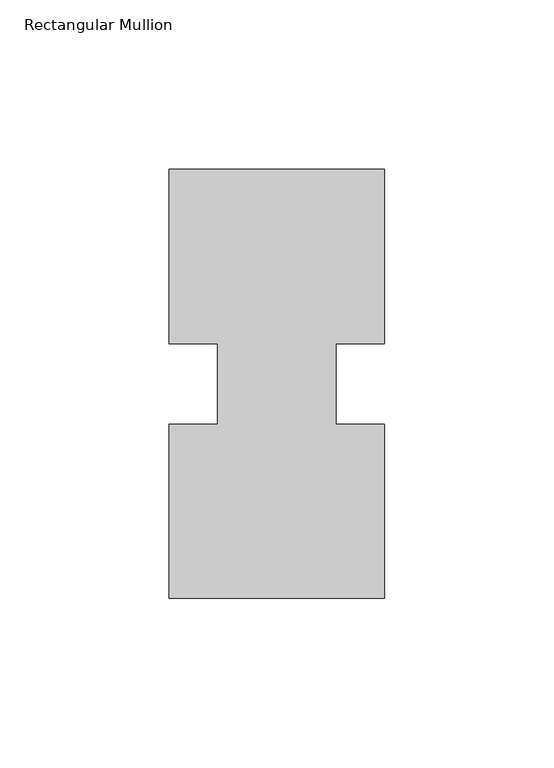
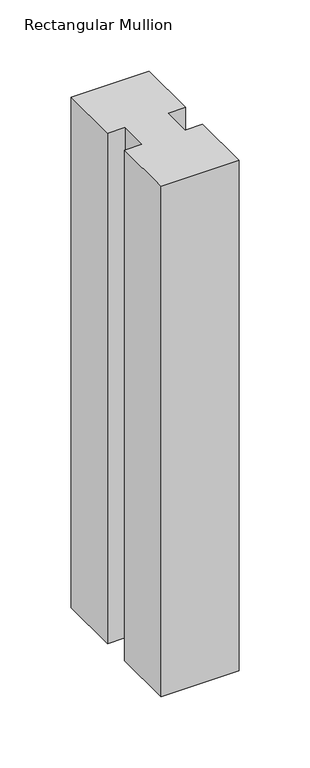
"""IFC4 building model written with IfcOpenShell, lengths in millimetres: member geometry, Rectangular Mullion."""

import ifcopenshell
import ifcopenshell.guid

model = None  # the IFC model being written
_history = None  # IfcOwnerHistory: only IFC2X3 demands one
_inside = {}  # id of a spatial element -> (the spatial element, [elements in it])
_under = {}  # id of a project, library or spatial element -> (it, [spatial elements below it])
_declared = {}  # id of a project -> (the project, [libraries it declares])
_typed = {}  # id of a type object -> (the type object, [elements of that type])
_made_of = {}  # id of a material, layer set ... -> (it, [elements and type objects made of it])


def new_model(schema):
    """Start an empty IFC model of exactly this schema.

    Asked for "IFC4X3", IfcOpenShell would pick the latest addendum, in which some entities
    have other attributes; the version numbers below select the first issue.
    IFC2X3 requires an IfcOwnerHistory on every rooted entity: one is made here for all.
    """
    global model, _history
    if schema == "IFC4X3":
        model = ifcopenshell.file(schema_version=(4, 3, 0, 0))
    else:
        model = ifcopenshell.file(schema=schema)
    _inside.clear()
    _under.clear()
    _declared.clear()
    _typed.clear()
    _made_of.clear()
    _history = None
    if model.schema == "IFC2X3":
        org = make("IfcOrganization", Name="unknown")
        user = make(
            "IfcPersonAndOrganization",
            ThePerson=make("IfcPerson", FamilyName="unknown"),
            TheOrganization=org,
        )
        app = make(
            "IfcApplication",
            ApplicationDeveloper=org,
            Version="unknown",
            ApplicationFullName="unknown",
            ApplicationIdentifier="unknown",
        )
        _history = make(
            "IfcOwnerHistory",
            OwningUser=user,
            OwningApplication=app,
            ChangeAction="ADDED",
            CreationDate=0,
        )
    return model


def make(cls, **values):
    """One entity of the class cls with the attributes given. An attribute that is None is left unset."""
    return model.create_entity(
        cls, **{name: value for name, value in values.items() if value is not None}
    )


def rooted(cls, **values):
    """An entity with a GlobalId (a new one), such as an element, a storey or a relation."""
    return make(cls, GlobalId=ifcopenshell.guid.new(), OwnerHistory=_history, **values)


def si_unit(unit_type, name, prefix=None):
    """IfcSIUnit, for example si_unit("LENGTHUNIT", "METRE", prefix="MILLI")."""
    return make("IfcSIUnit", UnitType=unit_type, Prefix=prefix, Name=name)


def assignment(units):
    """IfcUnitAssignment: the units of a project."""
    return None if units is None else make("IfcUnitAssignment", Units=units)


def point(xyz):
    """IfcCartesianPoint."""
    return None if xyz is None else make("IfcCartesianPoint", Coordinates=xyz)


def direction(xyz):
    """IfcDirection."""
    return None if xyz is None else make("IfcDirection", DirectionRatios=xyz)


def frame(location, z_axis=None, x_axis=None):
    """IfcAxis2Placement3D, a coordinate frame: its origin and axes. An axis left out is left unset."""
    return make(
        "IfcAxis2Placement3D",
        Location=point(location),
        Axis=direction(z_axis),
        RefDirection=direction(x_axis),
    )


def origin():
    """The frame at (0, 0, 0) with its axes left unset."""
    return frame((0.0, 0.0, 0.0))


def place(relative_to, where):
    """IfcLocalPlacement: puts the frame where relative to a parent placement (None: the world)."""
    return make(
        "IfcLocalPlacement", PlacementRelTo=relative_to, RelativePlacement=where
    )


def context(
    kind, dimensions, precision=None, world=None, true_north=None, identifier=None
):
    """IfcGeometricRepresentationContext, for example the 3D "Model" context."""
    return make(
        "IfcGeometricRepresentationContext",
        ContextIdentifier=identifier,
        ContextType=kind,
        CoordinateSpaceDimension=dimensions,
        Precision=precision,
        WorldCoordinateSystem=world,
        TrueNorth=true_north,
    )


def project(units=None, contexts=None):
    """IfcProject with its units and contexts."""
    return rooted(
        "IfcProject",
        Name="project",
        RepresentationContexts=contexts,
        UnitsInContext=assignment(units),
    )


def spatial(cls, under=None, at=None, **own):
    """A site, building, storey or space (cls), placed at a placement, below another one or the project."""
    s = rooted(cls, ObjectPlacement=at, **own)
    if under is not None:
        _under.setdefault(under.id(), (under, []))[1].append(s)
    return s


def polyline(points):
    """IfcPolyline through the points."""
    return make("IfcPolyline", Points=[point(p) for p in points])


def outline(outer, holes=None, kind="AREA"):
    """IfcArbitraryClosedProfileDef: a profile drawn as a closed curve; with holes, ...WithVoids."""
    if holes is None:
        return make("IfcArbitraryClosedProfileDef", ProfileType=kind, OuterCurve=outer)
    return make(
        "IfcArbitraryProfileDefWithVoids",
        ProfileType=kind,
        OuterCurve=outer,
        InnerCurves=holes,
    )


def extrude(swept, where, along, depth):
    """IfcExtrudedAreaSolid: the profile swept, set in the frame where, extruded along a direction by depth."""
    return make(
        "IfcExtrudedAreaSolid",
        SweptArea=swept,
        Position=where,
        ExtrudedDirection=direction(along),
        Depth=depth,
    )


def shape(context_of_items, identifier, shape_type, items):
    """IfcShapeRepresentation: the items that make up one representation, for example the "Body"."""
    return make(
        "IfcShapeRepresentation",
        ContextOfItems=context_of_items,
        RepresentationIdentifier=identifier,
        RepresentationType=shape_type,
        Items=items,
    )


def source(mapping_origin, context_of_items, identifier, shape_type, items):
    """IfcRepresentationMap: a shape defined once, which mapped items show again and again."""
    return make(
        "IfcRepresentationMap",
        MappingOrigin=mapping_origin,
        MappedRepresentation=shape(context_of_items, identifier, shape_type, items),
    )


def transform(
    local_origin,
    x_axis=None,
    y_axis=None,
    z_axis=None,
    scale=None,
    scale2=None,
    scale3=None,
    uniform=True,
):
    """IfcCartesianTransformationOperator3D, or its non-uniform kind. x_axis, y_axis, z_axis: its Axis1, 2, 3."""
    if uniform:
        return make(
            "IfcCartesianTransformationOperator3D",
            Axis1=direction(x_axis),
            Axis2=direction(y_axis),
            LocalOrigin=point(local_origin),
            Scale=scale,
            Axis3=direction(z_axis),
        )
    return make(
        "IfcCartesianTransformationOperator3DnonUniform",
        Axis1=direction(x_axis),
        Axis2=direction(y_axis),
        LocalOrigin=point(local_origin),
        Scale=scale,
        Axis3=direction(z_axis),
        Scale2=scale2,
        Scale3=scale3,
    )


def mapped(mapping_source, mapping_target):
    """IfcMappedItem: shows the shape of a source again, moved by a transform."""
    return make(
        "IfcMappedItem", MappingSource=mapping_source, MappingTarget=mapping_target
    )


def made_of(thing, what):
    """Note that an element or type object is made of a material, layer set ...; save() writes the relation."""
    if what is not None:
        _made_of.setdefault(what.id(), (what, []))[1].append(thing)
    return thing


def element(
    cls,
    number,
    at=None,
    inside=None,
    cuts=None,
    type_object=None,
    material=None,
    context=None,
    identifier="Body",
    shape_type=None,
    held_by="IfcProductDefinitionShape",
    body=None,
    shapes=None,
    **own,
):
    """One element of the class cls, such as IfcWall. Its Tag is "e" and its number.

    at: its placement. inside: the storey or other place that contains it. cuts: it is an
    opening in that element (IfcRelVoidsElement). A single representation is given by context,
    identifier, shape_type and body (its items); several are given by shapes. held_by: the class
    of the entity that holds the representations. save() writes the other relations.
    """
    e = rooted(cls, Tag="e%d" % number, ObjectPlacement=at, **own)
    if body is not None:
        shapes = [shape(context, identifier, shape_type, body)]
    if shapes is not None:
        e.Representation = make(held_by, Representations=shapes)
    if inside is not None:
        _inside.setdefault(inside.id(), (inside, []))[1].append(e)
    if cuts is not None:
        rooted(
            "IfcRelVoidsElement", RelatingBuildingElement=cuts, RelatedOpeningElement=e
        )
    if type_object is not None:
        _typed.setdefault(type_object.id(), (type_object, []))[1].append(e)
    return made_of(e, material)


def aggregate(whole, parts):
    """IfcRelAggregates: a whole, such as a stair, and the parts it consists of."""
    return rooted("IfcRelAggregates", RelatingObject=whole, RelatedObjects=parts)


def save(model, path):
    """Write the relations noted so far, then the file.

    IfcRelAggregates (storeys below a building ...), IfcRelContainedInSpatialStructure (elements
    in a storey), IfcRelDefinesByType, IfcRelAssociatesMaterial and IfcRelDeclares: one each for
    every whole, place, type object, material and project.
    """
    for whole, parts in _under.values():
        aggregate(whole, parts)
    for where, things in _inside.values():
        rooted(
            "IfcRelContainedInSpatialStructure",
            RelatedElements=things,
            RelatingStructure=where,
        )
    for kind, things in _typed.values():
        rooted("IfcRelDefinesByType", RelatedObjects=things, RelatingType=kind)
    for what, things in _made_of.values():
        rooted("IfcRelAssociatesMaterial", RelatedObjects=things, RelatingMaterial=what)
    for by, libraries in _declared.values():
        rooted("IfcRelDeclares", RelatingContext=by, RelatedDefinitions=libraries)
    model.write(path)


def rectangular_mullion_9bcaffb4(model_context):
    return source(origin(), model_context, "Body", "SweptSolid", [
        extrude(outline(polyline([(-63.5, 0.26035), (-63.5, 51.60645), (-49.2125, 51.60645), (-49.2125, 75.40625), (-63.5, 75.40625), (-63.5, 126.75235), (0.0, 126.75235), (0.0, 75.40625), (-14.2748, 75.40625), (-14.2748, 51.60645), (0.0, 51.60645), (0.0, 0.26035), (-63.5, 0.26035)])), frame((0.0, 0.0, -438.15), z_axis=(0.0, 0.0, 1.0), x_axis=(1.0, 0.0, 0.0)), (0.0, 0.0, 1.0), 438.15),
    ])


if __name__ == "__main__":
    model = new_model("IFC4")
    model_context = context("Model", 3, world=origin())
    ifc_project = project(units=[si_unit("LENGTHUNIT", "METRE", prefix="MILLI")], contexts=[model_context])
    site = spatial("IfcSite", under=ifc_project)
    building = spatial("IfcBuilding", under=site)
    placement = place(None, origin())
    rectangular_mullion_shape = rectangular_mullion_9bcaffb4(model_context)
    element("IfcMember", 1, ObjectType="Rectangular Mullion", at=placement, inside=building, context=model_context, shape_type="MappedRepresentation", body=[
        mapped(rectangular_mullion_shape, transform((0.0, 0.0, 0.0), x_axis=(1.0, 0.0, 0.0), y_axis=(0.0, 1.0, 0.0), z_axis=(0.0, 0.0, 1.0))),
    ])
    save(model, "model.ifc")
